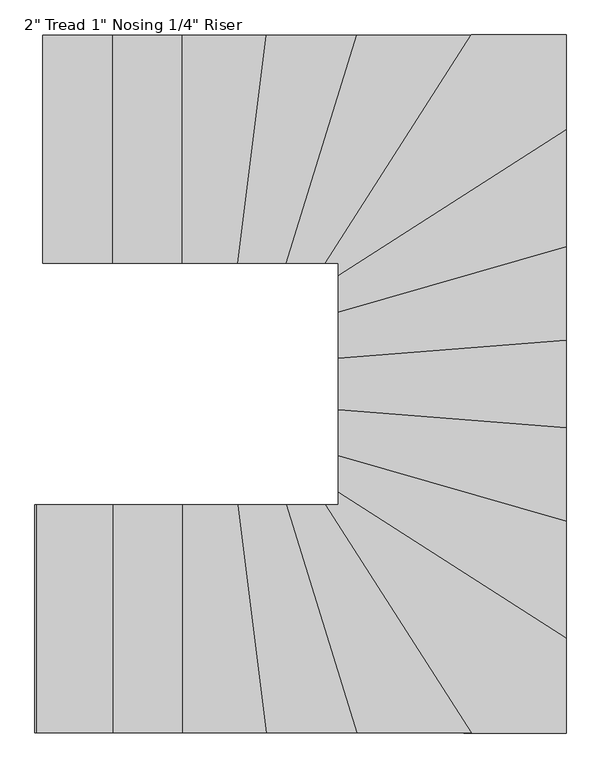
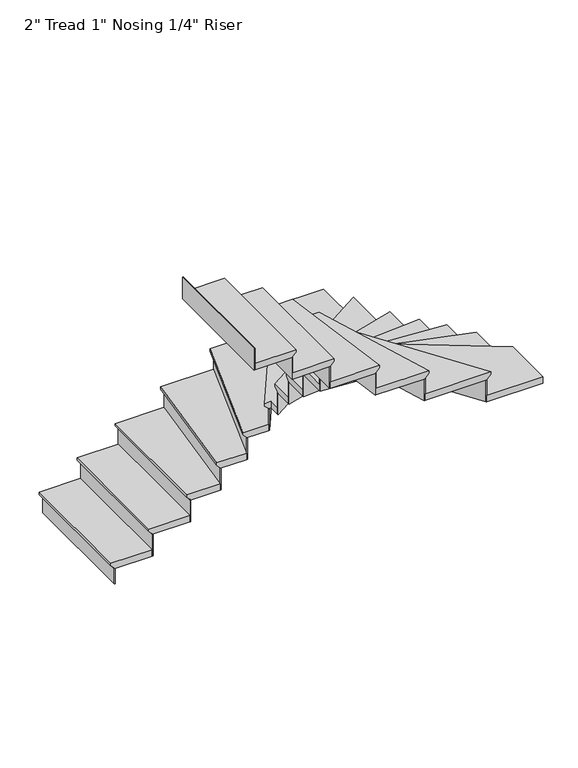
"""IFC4 building model written with IfcOpenShell, lengths in millimetres: stair flight geometry."""

import ifcopenshell
import ifcopenshell.guid

model = None  # the IFC model being written
_history = None  # IfcOwnerHistory: only IFC2X3 demands one
_inside = {}  # id of a spatial element -> (the spatial element, [elements in it])
_under = {}  # id of a project, library or spatial element -> (it, [spatial elements below it])
_declared = {}  # id of a project -> (the project, [libraries it declares])
_typed = {}  # id of a type object -> (the type object, [elements of that type])
_made_of = {}  # id of a material, layer set ... -> (it, [elements and type objects made of it])


def new_model(schema):
    """Start an empty IFC model of exactly this schema.

    Asked for "IFC4X3", IfcOpenShell would pick the latest addendum, in which some entities
    have other attributes; the version numbers below select the first issue.
    IFC2X3 requires an IfcOwnerHistory on every rooted entity: one is made here for all.
    """
    global model, _history
    if schema == "IFC4X3":
        model = ifcopenshell.file(schema_version=(4, 3, 0, 0))
    else:
        model = ifcopenshell.file(schema=schema)
    _inside.clear()
    _under.clear()
    _declared.clear()
    _typed.clear()
    _made_of.clear()
    _history = None
    if model.schema == "IFC2X3":
        org = make("IfcOrganization", Name="unknown")
        user = make(
            "IfcPersonAndOrganization",
            ThePerson=make("IfcPerson", FamilyName="unknown"),
            TheOrganization=org,
        )
        app = make(
            "IfcApplication",
            ApplicationDeveloper=org,
            Version="unknown",
            ApplicationFullName="unknown",
            ApplicationIdentifier="unknown",
        )
        _history = make(
            "IfcOwnerHistory",
            OwningUser=user,
            OwningApplication=app,
            ChangeAction="ADDED",
            CreationDate=0,
        )
    return model


def make(cls, **values):
    """One entity of the class cls with the attributes given. An attribute that is None is left unset."""
    return model.create_entity(
        cls, **{name: value for name, value in values.items() if value is not None}
    )


def rooted(cls, **values):
    """An entity with a GlobalId (a new one), such as an element, a storey or a relation."""
    return make(cls, GlobalId=ifcopenshell.guid.new(), OwnerHistory=_history, **values)


def si_unit(unit_type, name, prefix=None):
    """IfcSIUnit, for example si_unit("LENGTHUNIT", "METRE", prefix="MILLI")."""
    return make("IfcSIUnit", UnitType=unit_type, Prefix=prefix, Name=name)


def assignment(units):
    """IfcUnitAssignment: the units of a project."""
    return None if units is None else make("IfcUnitAssignment", Units=units)


def point(xyz):
    """IfcCartesianPoint."""
    return None if xyz is None else make("IfcCartesianPoint", Coordinates=xyz)


def direction(xyz):
    """IfcDirection."""
    return None if xyz is None else make("IfcDirection", DirectionRatios=xyz)


def frame(location, z_axis=None, x_axis=None):
    """IfcAxis2Placement3D, a coordinate frame: its origin and axes. An axis left out is left unset."""
    return make(
        "IfcAxis2Placement3D",
        Location=point(location),
        Axis=direction(z_axis),
        RefDirection=direction(x_axis),
    )


def origin():
    """The frame at (0, 0, 0) with its axes left unset."""
    return frame((0.0, 0.0, 0.0))


def place(relative_to, where):
    """IfcLocalPlacement: puts the frame where relative to a parent placement (None: the world)."""
    return make(
        "IfcLocalPlacement", PlacementRelTo=relative_to, RelativePlacement=where
    )


def context(
    kind, dimensions, precision=None, world=None, true_north=None, identifier=None
):
    """IfcGeometricRepresentationContext, for example the 3D "Model" context."""
    return make(
        "IfcGeometricRepresentationContext",
        ContextIdentifier=identifier,
        ContextType=kind,
        CoordinateSpaceDimension=dimensions,
        Precision=precision,
        WorldCoordinateSystem=world,
        TrueNorth=true_north,
    )


def project(units=None, contexts=None):
    """IfcProject with its units and contexts."""
    return rooted(
        "IfcProject",
        Name="project",
        RepresentationContexts=contexts,
        UnitsInContext=assignment(units),
    )


def spatial(cls, under=None, at=None, **own):
    """A site, building, storey or space (cls), placed at a placement, below another one or the project."""
    s = rooted(cls, ObjectPlacement=at, **own)
    if under is not None:
        _under.setdefault(under.id(), (under, []))[1].append(s)
    return s


def faces_of(points, faces, orient=None, outer=None):
    """IfcFace entities. A face is a list of loops; a loop is a list of indices into points, from 0.

    orient and outer hold one flag for each loop. By default every Orientation is true, the
    first loop of a face is its IfcFaceOuterBound and the others are IfcFaceBound.
    """
    made = []
    for i, loops in enumerate(faces):
        bounds = []
        for j, loop in enumerate(loops):
            is_outer = j == 0 if outer is None else outer[i][j]
            bounds.append(
                make(
                    "IfcFaceOuterBound" if is_outer else "IfcFaceBound",
                    Bound=make("IfcPolyLoop", Polygon=[points[k] for k in loop]),
                    Orientation=True if orient is None else orient[i][j],
                )
            )
        made.append(make("IfcFace", Bounds=bounds))
    return made


def faceted_brep(points, faces, orient=None, outer=None, voids=None):
    """IfcFacetedBrep: a solid bounded by flat faces; with voids (closed shells), ...WithVoids."""
    shared = [point(p) for p in points]
    hull = make("IfcClosedShell", CfsFaces=faces_of(shared, faces, orient, outer))
    if voids is None:
        return make("IfcFacetedBrep", Outer=hull)
    return make(
        "IfcFacetedBrepWithVoids",
        Outer=hull,
        Voids=[
            make(cls, CfsFaces=faces_of(shared, fs, o, b)) for cls, fs, o, b in voids
        ],
    )


def shape(context_of_items, identifier, shape_type, items):
    """IfcShapeRepresentation: the items that make up one representation, for example the "Body"."""
    return make(
        "IfcShapeRepresentation",
        ContextOfItems=context_of_items,
        RepresentationIdentifier=identifier,
        RepresentationType=shape_type,
        Items=items,
    )


def source(mapping_origin, context_of_items, identifier, shape_type, items):
    """IfcRepresentationMap: a shape defined once, which mapped items show again and again."""
    return make(
        "IfcRepresentationMap",
        MappingOrigin=mapping_origin,
        MappedRepresentation=shape(context_of_items, identifier, shape_type, items),
    )


def transform(
    local_origin,
    x_axis=None,
    y_axis=None,
    z_axis=None,
    scale=None,
    scale2=None,
    scale3=None,
    uniform=True,
):
    """IfcCartesianTransformationOperator3D, or its non-uniform kind. x_axis, y_axis, z_axis: its Axis1, 2, 3."""
    if uniform:
        return make(
            "IfcCartesianTransformationOperator3D",
            Axis1=direction(x_axis),
            Axis2=direction(y_axis),
            LocalOrigin=point(local_origin),
            Scale=scale,
            Axis3=direction(z_axis),
        )
    return make(
        "IfcCartesianTransformationOperator3DnonUniform",
        Axis1=direction(x_axis),
        Axis2=direction(y_axis),
        LocalOrigin=point(local_origin),
        Scale=scale,
        Axis3=direction(z_axis),
        Scale2=scale2,
        Scale3=scale3,
    )


def mapped(mapping_source, mapping_target):
    """IfcMappedItem: shows the shape of a source again, moved by a transform."""
    return make(
        "IfcMappedItem", MappingSource=mapping_source, MappingTarget=mapping_target
    )


def made_of(thing, what):
    """Note that an element or type object is made of a material, layer set ...; save() writes the relation."""
    if what is not None:
        _made_of.setdefault(what.id(), (what, []))[1].append(thing)
    return thing


def element(
    cls,
    number,
    at=None,
    inside=None,
    cuts=None,
    type_object=None,
    material=None,
    context=None,
    identifier="Body",
    shape_type=None,
    held_by="IfcProductDefinitionShape",
    body=None,
    shapes=None,
    **own,
):
    """One element of the class cls, such as IfcWall. Its Tag is "e" and its number.

    at: its placement. inside: the storey or other place that contains it. cuts: it is an
    opening in that element (IfcRelVoidsElement). A single representation is given by context,
    identifier, shape_type and body (its items); several are given by shapes. held_by: the class
    of the entity that holds the representations. save() writes the other relations.
    """
    e = rooted(cls, Tag="e%d" % number, ObjectPlacement=at, **own)
    if body is not None:
        shapes = [shape(context, identifier, shape_type, body)]
    if shapes is not None:
        e.Representation = make(held_by, Representations=shapes)
    if inside is not None:
        _inside.setdefault(inside.id(), (inside, []))[1].append(e)
    if cuts is not None:
        rooted(
            "IfcRelVoidsElement", RelatingBuildingElement=cuts, RelatedOpeningElement=e
        )
    if type_object is not None:
        _typed.setdefault(type_object.id(), (type_object, []))[1].append(e)
    return made_of(e, material)


def aggregate(whole, parts):
    """IfcRelAggregates: a whole, such as a stair, and the parts it consists of."""
    return rooted("IfcRelAggregates", RelatingObject=whole, RelatedObjects=parts)


def save(model, path):
    """Write the relations noted so far, then the file.

    IfcRelAggregates (storeys below a building ...), IfcRelContainedInSpatialStructure (elements
    in a storey), IfcRelDefinesByType, IfcRelAssociatesMaterial and IfcRelDeclares: one each for
    every whole, place, type object, material and project.
    """
    for whole, parts in _under.values():
        aggregate(whole, parts)
    for where, things in _inside.values():
        rooted(
            "IfcRelContainedInSpatialStructure",
            RelatedElements=things,
            RelatingStructure=where,
        )
    for kind, things in _typed.values():
        rooted("IfcRelDefinesByType", RelatedObjects=things, RelatingType=kind)
    for what, things in _made_of.values():
        rooted("IfcRelAssociatesMaterial", RelatedObjects=things, RelatingMaterial=what)
    for by, libraries in _declared.values():
        rooted("IfcRelDeclares", RelatingContext=by, RelatedDefinitions=libraries)
    model.write(path)


def stair_flight_ca325b8c(model_context):
    return source(origin(), model_context, "Body", "Brep", [
        faceted_brep([(-837.4494637, 7008.6993219, 3217.3333333), (-837.4494637, 6094.2993219, 3217.3333333), (-532.6494637, 6094.2993219, 3217.3333333), (-532.6494637, 7008.6993219, 3217.3333333), (-812.0494637, 7008.6993219, 3166.5333333), (-532.6494637, 7008.6993219, 3166.5333333), (-532.6494637, 6094.2993219, 3166.5333333), (-812.0494637, 6094.2993219, 3166.5333333), (-812.0494637, 7008.6993219, 3172.8833333), (-837.4494637, 7008.6993219, 3198.2833333), (-812.0494637, 6094.2993219, 3172.8833333), (-837.4494637, 6094.2993219, 3198.2833333)], [[[0, 1, 2, 3]], [[4, 5, 6, 7]], [[0, 3, 5, 4, 8, 9]], [[4, 7, 10, 8]], [[2, 1, 11, 10, 7, 6]], [[3, 2, 6, 5]], [[11, 1, 0, 9]], [[10, 11, 9, 8]]]),
        faceted_brep([(-812.0494637, 6094.2993219, 3166.5333333), (-812.0494637, 6094.2993219, 3048.0), (-805.6994637, 6094.2993219, 3048.0), (-805.6994637, 6094.2993219, 3166.5333333), (-812.0494637, 7008.6993219, 3166.5333333), (-805.6994637, 7008.6993219, 3166.5333333), (-805.6994637, 7008.6993219, 3048.0), (-812.0494637, 7008.6993219, 3048.0)], [[[0, 1, 2, 3]], [[4, 5, 6, 7]], [[1, 0, 4, 7]], [[2, 1, 7, 6]], [[3, 2, 6, 5]], [[0, 3, 5, 4]]]),
        faceted_brep([(-558.0494637, 7008.6993219, 3386.6666667), (-558.0494637, 6094.2993219, 3386.6666667), (-253.2494637, 6094.2993219, 3386.6666667), (-253.2494637, 7008.6993219, 3386.6666667), (-532.6494637, 7008.6993219, 3335.8666667), (-253.2494637, 7008.6993219, 3335.8666667), (-253.2494637, 6094.2993219, 3335.8666667), (-532.6494637, 6094.2993219, 3335.8666667), (-532.6494637, 7008.6993219, 3342.2166667), (-558.0494637, 7008.6993219, 3367.6166667), (-532.6494637, 6094.2993219, 3342.2166667), (-558.0494637, 6094.2993219, 3367.6166667)], [[[0, 1, 2, 3]], [[4, 5, 6, 7]], [[0, 3, 5, 4, 8, 9]], [[4, 7, 10, 8]], [[2, 1, 11, 10, 7, 6]], [[3, 2, 6, 5]], [[11, 1, 0, 9]], [[10, 11, 9, 8]]]),
        faceted_brep([(-532.6494637, 6094.2993219, 3335.8666667), (-532.6494637, 6094.2993219, 3166.5333333), (-526.2994637, 6094.2993219, 3166.5333333), (-526.2994637, 6094.2993219, 3335.8666667), (-532.6494637, 7008.6993219, 3335.8666667), (-526.2994637, 7008.6993219, 3335.8666667), (-526.2994637, 7008.6993219, 3166.5333333), (-532.6494637, 7008.6993219, 3166.5333333)], [[[0, 1, 2, 3]], [[4, 5, 6, 7]], [[1, 0, 4, 7]], [[2, 1, 7, 6]], [[3, 2, 6, 5]], [[0, 3, 5, 4]]]),
        faceted_brep([(-278.6494637, 7008.6993219, 3556.0), (-278.6494637, 6094.2993219, 3556.0), (-30.4656711, 6094.2993219, 3556.0), (83.1574297, 7008.6993219, 3556.0), (-253.2494637, 7008.6993219, 3505.2), (83.1574297, 7008.6993219, 3505.2), (-30.4656711, 6094.2993219, 3505.2), (-253.2494637, 6094.2993219, 3505.2), (-253.2494637, 7008.6993219, 3511.55), (-278.6494637, 7008.6993219, 3536.95), (-253.2494637, 6094.2993219, 3511.55), (-278.6494637, 6094.2993219, 3536.95)], [[[0, 1, 2, 3]], [[4, 5, 6, 7]], [[0, 3, 5, 4, 8, 9]], [[4, 7, 10, 8]], [[2, 1, 11, 10, 7, 6]], [[3, 2, 6, 5]], [[11, 1, 0, 9]], [[10, 11, 9, 8]]]),
        faceted_brep([(-253.2494637, 6094.2993219, 3505.2), (-253.2494637, 6094.2993219, 3335.8666667), (-246.8994637, 6094.2993219, 3335.8666667), (-246.8994637, 6094.2993219, 3505.2), (-253.2494637, 7008.6993219, 3505.2), (-246.8994637, 7008.6993219, 3505.2), (-246.8994637, 7008.6993219, 3335.8666667), (-253.2494637, 7008.6993219, 3335.8666667)], [[[0, 1, 2, 3]], [[4, 5, 6, 7]], [[1, 0, 4, 7]], [[2, 1, 7, 6]], [[3, 2, 6, 5]], [[0, 3, 5, 4]]]),
        faceted_brep([(57.5620867, 7008.6993219, 3725.3333333), (-56.0610141, 6094.2993219, 3725.3333333), (164.9254904, 6094.2993219, 3725.3333333), (448.5633995, 7008.6993219, 3725.3333333), (83.1574297, 7008.6993219, 3674.5333333), (448.5633995, 7008.6993219, 3674.5333333), (164.9254904, 6094.2993219, 3674.5333333), (-30.4656711, 6094.2993219, 3674.5333333), (83.1574297, 7008.6993219, 3680.8833333), (57.5620867, 7008.6993219, 3706.2833333), (-30.4656711, 6094.2993219, 3680.8833333), (-56.0610141, 6094.2993219, 3706.2833333)], [[[0, 1, 2, 3]], [[4, 5, 6, 7]], [[0, 3, 5, 4, 8, 9]], [[4, 7, 10, 8]], [[2, 1, 11, 10, 7, 6]], [[3, 2, 6, 5]], [[11, 1, 0, 9]], [[10, 11, 9, 8]]]),
        faceted_brep([(-30.4656711, 6094.2993219, 3674.5333333), (-30.4656711, 6094.2993219, 3505.2), (-24.0668354, 6094.2993219, 3505.2), (-24.0668354, 6094.2993219, 3674.5333333), (83.1574297, 7008.6993219, 3674.5333333), (89.5562654, 7008.6993219, 3674.5333333), (89.5562654, 7008.6993219, 3505.2), (83.1574297, 7008.6993219, 3505.2)], [[[0, 1, 2, 3]], [[4, 5, 6, 7]], [[1, 0, 4, 7]], [[2, 1, 7, 6]], [[3, 2, 6, 5]], [[0, 3, 5, 4]]]),
        faceted_brep([(421.9694909, 7008.6993219, 3894.6666667), (138.3315818, 6094.2993219, 3894.6666667), (325.1231592, 6094.2993219, 3894.6666667), (909.7225946, 7008.6993219, 3894.6666667), (448.5633995, 7008.6993219, 3843.8666667), (909.7225946, 7008.6993219, 3843.8666667), (325.1231592, 6094.2993219, 3843.8666667), (164.9254904, 6094.2993219, 3843.8666667), (448.5633995, 7008.6993219, 3850.2166667), (421.9694909, 7008.6993219, 3875.6166667), (164.9254904, 6094.2993219, 3850.2166667), (138.3315818, 6094.2993219, 3875.6166667)], [[[0, 1, 2, 3]], [[4, 5, 6, 7]], [[0, 3, 5, 4, 8, 9]], [[4, 7, 10, 8]], [[2, 1, 11, 10, 7, 6]], [[3, 2, 6, 5]], [[11, 1, 0, 9]], [[10, 11, 9, 8]]]),
        faceted_brep([(164.9254904, 6094.2993219, 3843.8666667), (164.9254904, 6094.2993219, 3674.5333333), (171.5739675, 6094.2993219, 3674.5333333), (171.5739675, 6094.2993219, 3843.8666667), (448.5633995, 7008.6993219, 3843.8666667), (455.2118766, 7008.6993219, 3843.8666667), (455.2118766, 7008.6993219, 3674.5333333), (448.5633995, 7008.6993219, 3674.5333333)], [[[0, 1, 2, 3]], [[4, 5, 6, 7]], [[1, 0, 4, 7]], [[2, 1, 7, 6]], [[3, 2, 6, 5]], [[0, 3, 5, 4]]]),
        faceted_brep([(1260.2875258, 6597.8397474, 4064.0), (1260.2875258, 7008.6993219, 4064.0), (879.575273, 7008.6993219, 4064.0), (294.9758376, 6094.2993219, 4064.0), (345.8875258, 6094.2993219, 4064.0), (345.8875258, 6013.240312, 4064.0), (1260.2875258, 7008.6993219, 4013.2), (1260.2875258, 6597.8397474, 4013.2), (345.8875258, 6013.240312, 4013.2), (345.8875258, 6094.2993219, 4013.2), (325.1231592, 6094.2993219, 4013.2), (909.7225946, 7008.6993219, 4013.2), (909.7225946, 7008.6993219, 4019.55), (879.575273, 7008.6993219, 4044.95), (325.1231592, 6094.2993219, 4019.55), (294.9758376, 6094.2993219, 4044.95)], [[[0, 1, 2, 3, 4, 5]], [[6, 7, 8, 9, 10, 11]], [[1, 0, 7, 6]], [[2, 1, 6, 11, 12, 13]], [[11, 10, 14, 12]], [[4, 3, 15, 14, 10, 9]], [[5, 4, 9, 8]], [[0, 5, 8, 7]], [[15, 3, 2, 13]], [[14, 15, 13, 12]]]),
        faceted_brep([(325.1231592, 6094.2993219, 4013.2), (325.1231592, 6094.2993219, 3843.8666667), (332.6599896, 6094.2993219, 3843.8666667), (332.6599896, 6094.2993219, 4013.2), (909.7225946, 7008.6993219, 4013.2), (917.259425, 7008.6993219, 4013.2), (917.259425, 7008.6993219, 3843.8666667), (909.7225946, 7008.6993219, 3843.8666667)], [[[0, 1, 2, 3]], [[4, 5, 6, 7]], [[1, 0, 4, 7]], [[2, 1, 7, 6]], [[3, 2, 6, 5]], [[0, 3, 5, 4]]]),
        faceted_brep([(1260.2875258, 6627.9870691, 4233.3333333), (345.8875258, 6043.3876337, 4233.3333333), (345.8875258, 5870.3237038, 4233.3333333), (1260.2875258, 6133.9321285, 4233.3333333), (1260.2875258, 6597.8397474, 4182.5333333), (1260.2875258, 6133.9321285, 4182.5333333), (345.8875258, 5870.3237038, 4182.5333333), (345.8875258, 6013.240312, 4182.5333333), (1260.2875258, 6597.8397474, 4188.8833333), (1260.2875258, 6627.9870691, 4214.2833333), (345.8875258, 6013.240312, 4188.8833333), (345.8875258, 6043.3876337, 4214.2833333)], [[[0, 1, 2, 3]], [[4, 5, 6, 7]], [[0, 3, 5, 4, 8, 9]], [[4, 7, 10, 8]], [[2, 1, 11, 10, 7, 6]], [[3, 2, 6, 5]], [[11, 1, 0, 9]], [[10, 11, 9, 8]]]),
        faceted_brep([(345.8875258, 6013.240312, 4182.5333333), (345.8875258, 6013.240312, 4013.2), (345.8875258, 6005.7034816, 4013.2), (345.8875258, 6005.7034816, 4182.5333333), (1260.2875258, 6597.8397474, 4182.5333333), (1260.2875258, 6590.302917, 4182.5333333), (1260.2875258, 6590.302917, 4013.2), (1260.2875258, 6597.8397474, 4013.2)], [[[0, 1, 2, 3]], [[4, 5, 6, 7]], [[1, 0, 4, 7]], [[2, 1, 7, 6]], [[3, 2, 6, 5]], [[0, 3, 5, 4]]]),
        faceted_brep([(1260.2875258, 6160.3665448, 4402.6666667), (345.8875258, 5896.7581201, 4402.6666667), (345.8875258, 5687.631042, 4402.6666667), (1260.2875258, 5759.7359282, 4402.6666667), (1260.2875258, 6133.9321285, 4351.8666667), (1260.2875258, 5759.7359282, 4351.8666667), (345.8875258, 5687.631042, 4351.8666667), (345.8875258, 5870.3237038, 4351.8666667), (1260.2875258, 6133.9321285, 4358.2166667), (1260.2875258, 6160.3665448, 4383.6166667), (345.8875258, 5870.3237038, 4358.2166667), (345.8875258, 5896.7581201, 4383.6166667)], [[[0, 1, 2, 3]], [[4, 5, 6, 7]], [[0, 3, 5, 4, 8, 9]], [[4, 7, 10, 8]], [[2, 1, 11, 10, 7, 6]], [[3, 2, 6, 5]], [[11, 1, 0, 9]], [[10, 11, 9, 8]]]),
        faceted_brep([(345.8875258, 5870.3237038, 4351.8666667), (345.8875258, 5870.3237038, 4182.5333333), (345.8875258, 5863.7150997, 4182.5333333), (345.8875258, 5863.7150997, 4351.8666667), (1260.2875258, 6133.9321285, 4351.8666667), (1260.2875258, 6127.3235244, 4351.8666667), (1260.2875258, 6127.3235244, 4182.5333333), (1260.2875258, 6133.9321285, 4182.5333333)], [[[0, 1, 2, 3]], [[4, 5, 6, 7]], [[1, 0, 4, 7]], [[2, 1, 7, 6]], [[3, 2, 6, 5]], [[0, 3, 5, 4]]]),
        faceted_brep([(1260.2875258, 5785.2147755, 4572.0), (345.8875258, 5713.1098894, 4572.0), (345.8875258, 5480.3359282, 4572.0), (1260.2875258, 5408.231042, 4572.0), (1260.2875258, 5759.7359282, 4521.2), (1260.2875258, 5408.231042, 4521.2), (345.8875258, 5480.3359282, 4521.2), (345.8875258, 5687.631042, 4521.2), (1260.2875258, 5759.7359282, 4527.55), (1260.2875258, 5785.2147755, 4552.95), (345.8875258, 5687.631042, 4527.55), (345.8875258, 5713.1098894, 4552.95)], [[[0, 1, 2, 3]], [[4, 5, 6, 7]], [[0, 3, 5, 4, 8, 9]], [[4, 7, 10, 8]], [[2, 1, 11, 10, 7, 6]], [[3, 2, 6, 5]], [[11, 1, 0, 9]], [[10, 11, 9, 8]]]),
        faceted_brep([(345.8875258, 5687.631042, 4521.2), (345.8875258, 5687.631042, 4351.8666667), (345.8875258, 5681.2613302, 4351.8666667), (345.8875258, 5681.2613302, 4521.2), (1260.2875258, 5759.7359282, 4521.2), (1260.2875258, 5753.3662163, 4521.2), (1260.2875258, 5753.3662163, 4351.8666667), (1260.2875258, 5759.7359282, 4351.8666667)], [[[0, 1, 2, 3]], [[4, 5, 6, 7]], [[1, 0, 4, 7]], [[2, 1, 7, 6]], [[3, 2, 6, 5]], [[0, 3, 5, 4]]]),
        faceted_brep([(1260.2875258, 5433.7098894, 4741.3333333), (345.8875258, 5505.8147755, 4741.3333333), (345.8875258, 5295.7321285, 4741.3333333), (1260.2875258, 5032.1237038, 4741.3333333), (1260.2875258, 5408.231042, 4690.5333333), (1260.2875258, 5032.1237038, 4690.5333333), (345.8875258, 5295.7321285, 4690.5333333), (345.8875258, 5480.3359282, 4690.5333333), (1260.2875258, 5408.231042, 4696.8833333), (1260.2875258, 5433.7098894, 4722.2833333), (345.8875258, 5480.3359282, 4696.8833333), (345.8875258, 5505.8147755, 4722.2833333)], [[[0, 1, 2, 3]], [[4, 5, 6, 7]], [[0, 3, 5, 4, 8, 9]], [[4, 7, 10, 8]], [[2, 1, 11, 10, 7, 6]], [[3, 2, 6, 5]], [[11, 1, 0, 9]], [[10, 11, 9, 8]]]),
        faceted_brep([(345.8875258, 5480.3359282, 4690.5333333), (345.8875258, 5480.3359282, 4521.2), (345.8875258, 5473.9662163, 4521.2), (345.8875258, 5473.9662163, 4690.5333333), (1260.2875258, 5408.231042, 4690.5333333), (1260.2875258, 5401.8613302, 4690.5333333), (1260.2875258, 5401.8613302, 4521.2), (1260.2875258, 5408.231042, 4521.2)], [[[0, 1, 2, 3]], [[4, 5, 6, 7]], [[1, 0, 4, 7]], [[2, 1, 7, 6]], [[3, 2, 6, 5]], [[0, 3, 5, 4]]]),
        faceted_brep([(1260.2875258, 5058.5581201, 4910.6666667), (345.8875258, 5322.1665448, 4910.6666667), (345.8875258, 5145.3897095, 4910.6666667), (1260.2875258, 4560.7902741, 4910.6666667), (1260.2875258, 5032.1237038, 4859.8666667), (1260.2875258, 4560.7902741, 4859.8666667), (345.8875258, 5145.3897095, 4859.8666667), (345.8875258, 5295.7321285, 4859.8666667), (1260.2875258, 5032.1237038, 4866.2166667), (1260.2875258, 5058.5581201, 4891.6166667), (345.8875258, 5295.7321285, 4866.2166667), (345.8875258, 5322.1665448, 4891.6166667)], [[[0, 1, 2, 3]], [[4, 5, 6, 7]], [[0, 3, 5, 4, 8, 9]], [[4, 7, 10, 8]], [[2, 1, 11, 10, 7, 6]], [[3, 2, 6, 5]], [[11, 1, 0, 9]], [[10, 11, 9, 8]]]),
        faceted_brep([(345.8875258, 5295.7321285, 4859.8666667), (345.8875258, 5295.7321285, 4690.5333333), (345.8875258, 5289.1235244, 4690.5333333), (345.8875258, 5289.1235244, 4859.8666667), (1260.2875258, 5032.1237038, 4859.8666667), (1260.2875258, 5025.5150997, 4859.8666667), (1260.2875258, 5025.5150997, 4690.5333333), (1260.2875258, 5032.1237038, 4690.5333333)], [[[0, 1, 2, 3]], [[4, 5, 6, 7]], [[1, 0, 4, 7]], [[2, 1, 7, 6]], [[3, 2, 6, 5]], [[0, 3, 5, 4]]]),
        faceted_brep([(849.4279513, 4210.2253429, 5080.0), (1260.2875258, 4210.2253429, 5080.0), (1260.2875258, 4590.9375958, 5080.0), (345.8875258, 5175.5370312, 5080.0), (345.8875258, 5124.6253429, 5080.0), (264.8285159, 5124.6253429, 5080.0), (1260.2875258, 4210.2253429, 5029.2), (849.4279513, 4210.2253429, 5029.2), (264.8285159, 5124.6253429, 5029.2), (345.8875258, 5124.6253429, 5029.2), (345.8875258, 5145.3897095, 5029.2), (1260.2875258, 4560.7902741, 5029.2), (1260.2875258, 4560.7902741, 5035.55), (1260.2875258, 4590.9375958, 5060.95), (345.8875258, 5145.3897095, 5035.55), (345.8875258, 5175.5370312, 5060.95)], [[[0, 1, 2, 3, 4, 5]], [[6, 7, 8, 9, 10, 11]], [[1, 0, 7, 6]], [[2, 1, 6, 11, 12, 13]], [[11, 10, 14, 12]], [[4, 3, 15, 14, 10, 9]], [[5, 4, 9, 8]], [[0, 5, 8, 7]], [[15, 3, 2, 13]], [[14, 15, 13, 12]]]),
        faceted_brep([(345.8875258, 5145.3897095, 5029.2), (345.8875258, 5145.3897095, 4859.8666667), (345.8875258, 5137.8528791, 4859.8666667), (345.8875258, 5137.8528791, 5029.2), (1260.2875258, 4560.7902741, 5029.2), (1260.2875258, 4553.2534437, 5029.2), (1260.2875258, 4553.2534437, 4859.8666667), (1260.2875258, 4560.7902741, 4859.8666667)], [[[0, 1, 2, 3]], [[4, 5, 6, 7]], [[1, 0, 4, 7]], [[2, 1, 7, 6]], [[3, 2, 6, 5]], [[0, 3, 5, 4]]]),
        faceted_brep([(879.575273, 4210.2253429, 5249.3333333), (294.9758376, 5124.6253429, 5249.3333333), (111.7376731, 5124.6253429, 5249.3333333), (395.3755823, 4210.2253429, 5249.3333333), (849.4279513, 4210.2253429, 5198.5333333), (395.3755823, 4210.2253429, 5198.5333333), (111.7376731, 5124.6253429, 5198.5333333), (264.8285159, 5124.6253429, 5198.5333333), (849.4279513, 4210.2253429, 5204.8833333), (879.575273, 4210.2253429, 5230.2833333), (264.8285159, 5124.6253429, 5204.8833333), (294.9758376, 5124.6253429, 5230.2833333)], [[[0, 1, 2, 3]], [[4, 5, 6, 7]], [[0, 3, 5, 4, 8, 9]], [[4, 7, 10, 8]], [[2, 1, 11, 10, 7, 6]], [[3, 2, 6, 5]], [[11, 1, 0, 9]], [[10, 11, 9, 8]]]),
        faceted_brep([(264.8285159, 5124.6253429, 5198.5333333), (264.8285159, 5124.6253429, 5029.2), (257.2916855, 5124.6253429, 5029.2), (257.2916855, 5124.6253429, 5198.5333333), (849.4279513, 4210.2253429, 5198.5333333), (841.8911209, 4210.2253429, 5198.5333333), (841.8911209, 4210.2253429, 5029.2), (849.4279513, 4210.2253429, 5029.2)], [[[0, 1, 2, 3]], [[4, 5, 6, 7]], [[1, 0, 4, 7]], [[2, 1, 7, 6]], [[3, 2, 6, 5]], [[0, 3, 5, 4]]]),
        faceted_brep([(421.9694909, 4210.2253429, 5418.6666667), (138.3315818, 5124.6253429, 5418.6666667), (-81.656357, 5124.6253429, 5418.6666667), (31.9667438, 4210.2253429, 5418.6666667), (395.3755823, 4210.2253429, 5367.8666667), (31.9667438, 4210.2253429, 5367.8666667), (-81.656357, 5124.6253429, 5367.8666667), (111.7376731, 5124.6253429, 5367.8666667), (395.3755823, 4210.2253429, 5374.2166667), (421.9694909, 4210.2253429, 5399.6166667), (111.7376731, 5124.6253429, 5374.2166667), (138.3315818, 5124.6253429, 5399.6166667)], [[[0, 1, 2, 3]], [[4, 5, 6, 7]], [[0, 3, 5, 4, 8, 9]], [[4, 7, 10, 8]], [[2, 1, 11, 10, 7, 6]], [[3, 2, 6, 5]], [[11, 1, 0, 9]], [[10, 11, 9, 8]]]),
        faceted_brep([(111.7376731, 5124.6253429, 5367.8666667), (111.7376731, 5124.6253429, 5198.5333333), (105.089196, 5124.6253429, 5198.5333333), (105.089196, 5124.6253429, 5367.8666667), (395.3755823, 4210.2253429, 5367.8666667), (388.7271051, 4210.2253429, 5367.8666667), (388.7271051, 4210.2253429, 5198.5333333), (395.3755823, 4210.2253429, 5198.5333333)], [[[0, 1, 2, 3]], [[4, 5, 6, 7]], [[1, 0, 4, 7]], [[2, 1, 7, 6]], [[3, 2, 6, 5]], [[0, 3, 5, 4]]]),
        faceted_brep([(57.5620867, 4210.2253429, 5588.0), (-56.0610141, 5124.6253429, 5588.0), (-304.0494637, 5124.6253429, 5588.0), (-304.0494637, 4210.2253429, 5588.0), (31.9667438, 4210.2253429, 5537.2), (-304.0494637, 4210.2253429, 5537.2), (-304.0494637, 5124.6253429, 5537.2), (-81.656357, 5124.6253429, 5537.2), (31.9667438, 4210.2253429, 5543.55), (57.5620867, 4210.2253429, 5568.95), (-81.656357, 5124.6253429, 5543.55), (-56.0610141, 5124.6253429, 5568.95)], [[[0, 1, 2, 3]], [[4, 5, 6, 7]], [[0, 3, 5, 4, 8, 9]], [[4, 7, 10, 8]], [[2, 1, 11, 10, 7, 6]], [[3, 2, 6, 5]], [[11, 1, 0, 9]], [[10, 11, 9, 8]]]),
        faceted_brep([(-81.656357, 5124.6253429, 5537.2), (-81.656357, 5124.6253429, 5367.8666667), (-88.0551928, 5124.6253429, 5367.8666667), (-88.0551928, 5124.6253429, 5537.2), (31.9667438, 4210.2253429, 5537.2), (25.567908, 4210.2253429, 5537.2), (25.567908, 4210.2253429, 5367.8666667), (31.9667438, 4210.2253429, 5367.8666667)], [[[0, 1, 2, 3]], [[4, 5, 6, 7]], [[1, 0, 4, 7]], [[2, 1, 7, 6]], [[3, 2, 6, 5]], [[0, 3, 5, 4]]]),
        faceted_brep([(-278.6494637, 4210.2253429, 5757.3333333), (-278.6494637, 5124.6253429, 5757.3333333), (-583.4494637, 5124.6253429, 5757.3333333), (-583.4494637, 4210.2253429, 5757.3333333), (-304.0494637, 4210.2253429, 5706.5333333), (-583.4494637, 4210.2253429, 5706.5333333), (-583.4494637, 5124.6253429, 5706.5333333), (-304.0494637, 5124.6253429, 5706.5333333), (-304.0494637, 4210.2253429, 5712.8833333), (-278.6494637, 4210.2253429, 5738.2833333), (-304.0494637, 5124.6253429, 5712.8833333), (-278.6494637, 5124.6253429, 5738.2833333)], [[[0, 1, 2, 3]], [[4, 5, 6, 7]], [[0, 3, 5, 4, 8, 9]], [[4, 7, 10, 8]], [[2, 1, 11, 10, 7, 6]], [[3, 2, 6, 5]], [[11, 1, 0, 9]], [[10, 11, 9, 8]]]),
        faceted_brep([(-304.0494637, 5124.6253429, 5706.5333333), (-304.0494637, 5124.6253429, 5537.2), (-310.3994637, 5124.6253429, 5537.2), (-310.3994637, 5124.6253429, 5706.5333333), (-304.0494637, 4210.2253429, 5706.5333333), (-310.3994637, 4210.2253429, 5706.5333333), (-310.3994637, 4210.2253429, 5537.2), (-304.0494637, 4210.2253429, 5537.2)], [[[0, 1, 2, 3]], [[4, 5, 6, 7]], [[1, 0, 4, 7]], [[2, 1, 7, 6]], [[3, 2, 6, 5]], [[0, 3, 5, 4]]]),
        faceted_brep([(-558.0494637, 4210.2253429, 5926.6666667), (-558.0494637, 5124.6253429, 5926.6666667), (-862.8494637, 5124.6253429, 5926.6666667), (-862.8494637, 4210.2253429, 5926.6666667), (-583.4494637, 4210.2253429, 5875.8666667), (-862.8494637, 4210.2253429, 5875.8666667), (-862.8494637, 5124.6253429, 5875.8666667), (-583.4494637, 5124.6253429, 5875.8666667), (-583.4494637, 4210.2253429, 5882.2166667), (-558.0494637, 4210.2253429, 5907.6166667), (-583.4494637, 5124.6253429, 5882.2166667), (-558.0494637, 5124.6253429, 5907.6166667)], [[[0, 1, 2, 3]], [[4, 5, 6, 7]], [[0, 3, 5, 4, 8, 9]], [[4, 7, 10, 8]], [[2, 1, 11, 10, 7, 6]], [[3, 2, 6, 5]], [[11, 1, 0, 9]], [[10, 11, 9, 8]]]),
        faceted_brep([(-583.4494637, 5124.6253429, 5875.8666667), (-583.4494637, 5124.6253429, 5706.5333333), (-589.7994637, 5124.6253429, 5706.5333333), (-589.7994637, 5124.6253429, 5875.8666667), (-583.4494637, 4210.2253429, 5875.8666667), (-589.7994637, 4210.2253429, 5875.8666667), (-589.7994637, 4210.2253429, 5706.5333333), (-583.4494637, 4210.2253429, 5706.5333333)], [[[0, 1, 2, 3]], [[4, 5, 6, 7]], [[1, 0, 4, 7]], [[2, 1, 7, 6]], [[3, 2, 6, 5]], [[0, 3, 5, 4]]]),
        faceted_brep([(-862.8494637, 5124.6253429, 6045.2), (-862.8494637, 5124.6253429, 5875.8666667), (-869.1994637, 5124.6253429, 5875.8666667), (-869.1994637, 5124.6253429, 6045.2), (-862.8494637, 4210.2253429, 6045.2), (-869.1994637, 4210.2253429, 6045.2), (-869.1994637, 4210.2253429, 5875.8666667), (-862.8494637, 4210.2253429, 5875.8666667)], [[[0, 1, 2, 3]], [[4, 5, 6, 7]], [[1, 0, 4, 7]], [[2, 1, 7, 6]], [[3, 2, 6, 5]], [[0, 3, 5, 4]]]),
    ])


if __name__ == "__main__":
    model = new_model("IFC4")
    model_context = context("Model", 3, world=origin())
    ifc_project = project(units=[si_unit("LENGTHUNIT", "METRE", prefix="MILLI")], contexts=[model_context])
    site = spatial("IfcSite", under=ifc_project)
    building = spatial("IfcBuilding", under=site)
    placement = place(None, origin())
    stair_flight_shape = stair_flight_ca325b8c(model_context)
    element("IfcStairFlight", 1, ObjectType="2\" Tread 1\" Nosing 1/4\" Riser", at=placement, inside=building, context=model_context, shape_type="MappedRepresentation", body=[
        mapped(stair_flight_shape, transform((0.0, 0.0, 0.0), x_axis=(1.0, 0.0, 0.0), y_axis=(0.0, 1.0, 0.0), z_axis=(0.0, 0.0, 1.0))),
    ])
    save(model, "model.ifc")
